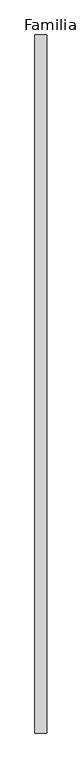
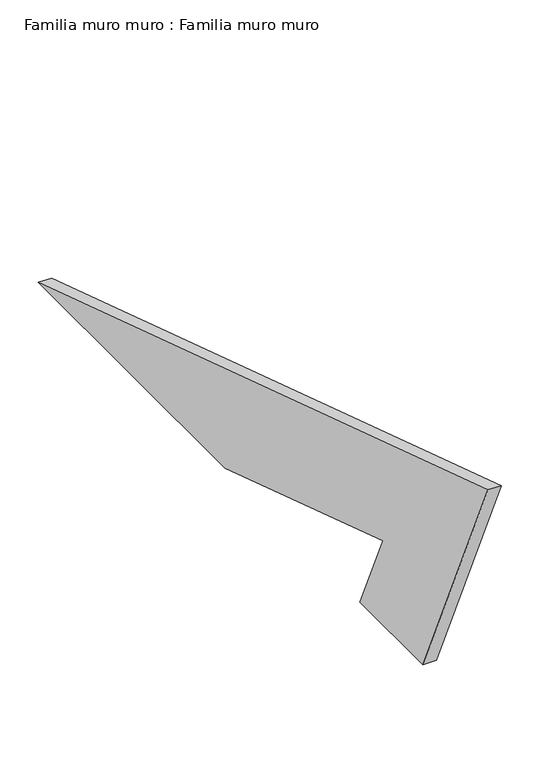
"""IFC4 building model written with IfcOpenShell, lengths in millimetres: plate geometry, Familia muro muro : Familia muro muro."""

from ifc_helpers import new_model, si_unit, frame, origin, place, context, project, spatial, polyline, outline, extrude, source, transform, mapped, element, save


def familia_muro_muro_familia_muro_muro_428cca6a(model_context):
    return source(origin(), model_context, "Body", "SweptSolid", [
        extrude(outline(polyline([(-1169.1306064, 379.8735615), (0.0, 0.0), (-485.4101966, 0.0), (-895.0669691, 133.1055541), (-835.8045582, 0.0), (-1000.0, 0.0), (-1169.1306064, 379.8735615)])), frame((0.0, 0.0, 0.0), z_axis=(1.0, 0.0, 0.0), x_axis=(0.0, 1.0, 0.0)), (0.0, 0.0, 1.0), 20.0),
    ])


if __name__ == "__main__":
    model = new_model("IFC4")
    model_context = context("Model", 3, world=origin())
    ifc_project = project(units=[si_unit("LENGTHUNIT", "METRE", prefix="MILLI")], contexts=[model_context])
    site = spatial("IfcSite", under=ifc_project)
    building = spatial("IfcBuilding", under=site)
    placement = place(None, origin())
    familia_muro_muro_familia_muro_muro_shape = familia_muro_muro_familia_muro_muro_428cca6a(model_context)
    element("IfcPlate", 1, ObjectType="Familia muro muro : Familia muro muro", at=placement, inside=building, context=model_context, shape_type="MappedRepresentation", body=[
        mapped(familia_muro_muro_familia_muro_muro_shape, transform((0.0, 0.0, 0.0), x_axis=(1.0, 0.0, 0.0), y_axis=(0.0, 1.0, 0.0), z_axis=(0.0, 0.0, 1.0))),
    ])
    save(model, "model.ifc")
